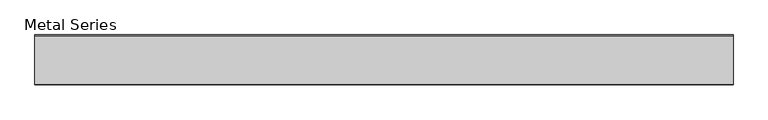
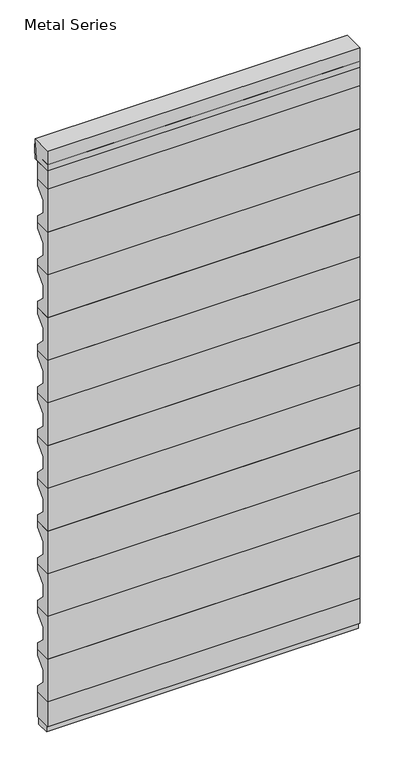
"""IFC4 building model written with IfcOpenShell, lengths in millimetres: plate geometry, Metal Series."""

from ifc_helpers import new_model, si_unit, point, frame, frame_2d, origin, place, context, project, spatial, polyline, circle_curve, trimmed, segment, composite_curve, outline, extrude, source, transform, mapped, element, save


def metal_series_851f9c83(model_context):
    return source(origin(), model_context, "Body", "SweptSolid", [
        extrude(outline(polyline([(33.3375, 2112.9625), (-33.3375, 2112.9625), (-33.3375, 2284.4125), (33.3375, 2284.4125), (33.3375, 2259.80625), (-4.7625, 2223.29375), (-4.7625, 2174.08125), (33.3375, 2137.56875), (33.3375, 2112.9625)])), frame((-593.2908476, 0.0, 0.0), z_axis=(1.0, 0.0, 0.0), x_axis=(0.0, 1.0, 0.0)), (0.0, 0.0, 1.0), 1186.5816951),
        extrude(outline(polyline([(33.3375, 1941.5125), (-33.3375, 1941.5125), (-33.3375, 2112.9625), (33.3375, 2112.9625), (33.3375, 2088.35625), (-4.7625, 2051.84375), (-4.7625, 2002.63125), (33.3375, 1966.11875), (33.3375, 1941.5125)])), frame((-593.2908476, 0.0, 0.0), z_axis=(1.0, 0.0, 0.0), x_axis=(0.0, 1.0, 0.0)), (0.0, 0.0, 1.0), 1186.5816951),
        extrude(outline(polyline([(33.3375, 1770.0625), (-33.3375, 1770.0625), (-33.3375, 1941.5125), (33.3375, 1941.5125), (33.3375, 1916.90625), (-4.7625, 1880.39375), (-4.7625, 1831.18125), (33.3375, 1794.66875), (33.3375, 1770.0625)])), frame((-593.2908476, 0.0, 0.0), z_axis=(1.0, 0.0, 0.0), x_axis=(0.0, 1.0, 0.0)), (0.0, 0.0, 1.0), 1186.5816951),
        extrude(outline(polyline([(33.3375, 1598.6125), (-33.3375, 1598.6125), (-33.3375, 1770.0625), (33.3375, 1770.0625), (33.3375, 1745.45625), (-4.7625, 1708.94375), (-4.7625, 1659.73125), (33.3375, 1623.21875), (33.3375, 1598.6125)])), frame((-593.2908476, 0.0, 0.0), z_axis=(1.0, 0.0, 0.0), x_axis=(0.0, 1.0, 0.0)), (0.0, 0.0, 1.0), 1186.5816951),
        extrude(outline(polyline([(33.3375, 1427.1625), (-33.3375, 1427.1625), (-33.3375, 1598.6125), (33.3375, 1598.6125), (33.3375, 1574.00625), (-4.7625, 1537.49375), (-4.7625, 1488.28125), (33.3375, 1451.76875), (33.3375, 1427.1625)])), frame((-593.2908476, 0.0, 0.0), z_axis=(1.0, 0.0, 0.0), x_axis=(0.0, 1.0, 0.0)), (0.0, 0.0, 1.0), 1186.5816951),
        extrude(outline(polyline([(33.3375, 1255.7125), (-33.3375, 1255.7125), (-33.3375, 1427.1625), (33.3375, 1427.1625), (33.3375, 1402.55625), (-4.7625, 1366.04375), (-4.7625, 1316.83125), (33.3375, 1280.31875), (33.3375, 1255.7125)])), frame((-593.2908476, 0.0, 0.0), z_axis=(1.0, 0.0, 0.0), x_axis=(0.0, 1.0, 0.0)), (0.0, 0.0, 1.0), 1186.5816951),
        extrude(outline(polyline([(33.3375, 1084.2625), (-33.3375, 1084.2625), (-33.3375, 1255.7125), (33.3375, 1255.7125), (33.3375, 1231.10625), (-4.7625, 1194.59375), (-4.7625, 1145.38125), (33.3375, 1108.86875), (33.3375, 1084.2625)])), frame((-593.2908476, 0.0, 0.0), z_axis=(1.0, 0.0, 0.0), x_axis=(0.0, 1.0, 0.0)), (0.0, 0.0, 1.0), 1186.5816951),
        extrude(outline(polyline([(33.3375, 912.8125), (-33.3375, 912.8125), (-33.3375, 1084.2625), (33.3375, 1084.2625), (33.3375, 1059.65625), (-4.7625, 1023.14375), (-4.7625, 973.93125), (33.3375, 937.41875), (33.3375, 912.8125)])), frame((-593.2908476, 0.0, 0.0), z_axis=(1.0, 0.0, 0.0), x_axis=(0.0, 1.0, 0.0)), (0.0, 0.0, 1.0), 1186.5816951),
        extrude(outline(polyline([(33.3375, 741.3625), (-33.3375, 741.3625), (-33.3375, 912.8125), (33.3375, 912.8125), (33.3375, 888.20625), (-4.7625, 851.69375), (-4.7625, 802.48125), (33.3375, 765.96875), (33.3375, 741.3625)])), frame((-593.2908476, 0.0, 0.0), z_axis=(1.0, 0.0, 0.0), x_axis=(0.0, 1.0, 0.0)), (0.0, 0.0, 1.0), 1186.5816951),
        extrude(outline(polyline([(33.3375, 569.9125), (-33.3375, 569.9125), (-33.3375, 741.3625), (33.3375, 741.3625), (33.3375, 716.75625), (-4.7625, 680.24375), (-4.7625, 631.03125), (33.3375, 594.51875), (33.3375, 569.9125)])), frame((-593.2908476, 0.0, 0.0), z_axis=(1.0, 0.0, 0.0), x_axis=(0.0, 1.0, 0.0)), (0.0, 0.0, 1.0), 1186.5816951),
        extrude(outline(polyline([(33.3375, 398.4625), (-33.3375, 398.4625), (-33.3375, 569.9125), (33.3375, 569.9125), (33.3375, 545.30625), (-4.7625, 508.79375), (-4.7625, 459.58125), (33.3375, 423.06875), (33.3375, 398.4625)])), frame((-593.2908476, 0.0, 0.0), z_axis=(1.0, 0.0, 0.0), x_axis=(0.0, 1.0, 0.0)), (0.0, 0.0, 1.0), 1186.5816951),
        extrude(outline(composite_curve([segment(polyline([(-33.3375, 2438.4), (48.41875, 2438.4), (48.41875, 2435.225)]), True, "CONTINUOUS"), segment(trimmed(circle_curve(frame_2d((372.2960463, 2356.0450255)), 333.4156137), [point((48.41875, 2435.225))], [point((38.89375, 2359.025))], True, "CARTESIAN"), True, "CONTINUOUS"), segment(polyline([(38.89375, 2359.025), (-33.3375, 2359.025), (-33.3375, 2438.4)]), True, "CONTINUOUS")], self_intersect=False)), frame((-593.2908476, 0.0, 0.0), z_axis=(1.0, 0.0, 0.0), x_axis=(0.0, 1.0, 0.0)), (0.0, 0.0, 1.0), 1186.5816951),
        extrude(outline(composite_curve([segment(polyline([(-33.3375, 2359.025), (-33.3375, 2438.4), (48.41875, 2438.4)]), True, "CONTINUOUS"), segment(trimmed(circle_curve(frame_2d((-263.8341329, 2398.7125)), 314.7649291), [point((48.41875, 2438.4))], [point((48.41875, 2359.025))], False, "CARTESIAN"), True, "CONTINUOUS"), segment(polyline([(48.41875, 2359.025), (-33.3375, 2359.025)]), True, "CONTINUOUS")], self_intersect=False)), frame((-593.2908476, 0.0, 0.0), z_axis=(1.0, 0.0, 0.0), x_axis=(0.0, 1.0, 0.0)), (0.0, 0.0, 1.0), 1186.5816951),
        extrude(outline(polyline([(33.3375, 227.0125), (-33.3375, 227.0125), (-33.3375, 398.4625), (33.3375, 398.4625), (33.3375, 373.85625), (-4.7625, 337.34375), (-4.7625, 288.13125), (33.3375, 251.61875), (33.3375, 227.0125)])), frame((-593.2908476, 0.0, 0.0), z_axis=(1.0, 0.0, 0.0), x_axis=(0.0, 1.0, 0.0)), (0.0, 0.0, 1.0), 1186.5816951),
        extrude(outline(polyline([(593.2908476, 33.3375), (593.2908476, -33.3375), (-593.2908476, -33.3375), (-593.2908476, 33.3375), (593.2908476, 33.3375)])), frame((0.0, 0.0, 127.0), z_axis=(0.0, 0.0, 1.0), x_axis=(1.0, 0.0, 0.0)), (0.0, 0.0, 1.0), 100.0125),
        extrude(outline(polyline([(593.2908476, 33.3375), (593.2908476, -33.3375), (-593.2908476, -33.3375), (-593.2908476, 33.3375), (593.2908476, 33.3375)])), frame((0.0, 0.0, 2284.4125), z_axis=(0.0, 0.0, 1.0), x_axis=(1.0, 0.0, 0.0)), (0.0, 0.0, 1.0), 100.0125),
        extrude(outline(polyline([(-593.2908476, -25.4), (-593.2908476, 25.4), (593.2908476, 25.4), (593.2908476, -25.4), (-593.2908476, -25.4)])), frame((0.0, 0.0, 101.6), z_axis=(0.0, 0.0, 1.0), x_axis=(1.0, 0.0, 0.0)), (0.0, 0.0, 1.0), 25.4),
    ])


if __name__ == "__main__":
    model = new_model("IFC4")
    model_context = context("Model", 3, world=origin())
    ifc_project = project(units=[si_unit("LENGTHUNIT", "METRE", prefix="MILLI")], contexts=[model_context])
    site = spatial("IfcSite", under=ifc_project)
    building = spatial("IfcBuilding", under=site)
    placement = place(None, origin())
    metal_series_shape = metal_series_851f9c83(model_context)
    element("IfcPlate", 1, ObjectType="Metal Series", at=placement, inside=building, context=model_context, shape_type="MappedRepresentation", body=[
        mapped(metal_series_shape, transform((0.0, 0.0, 0.0), x_axis=(1.0, 0.0, 0.0), y_axis=(0.0, 1.0, 0.0), z_axis=(0.0, 0.0, 1.0))),
    ])
    save(model, "model.ifc")
